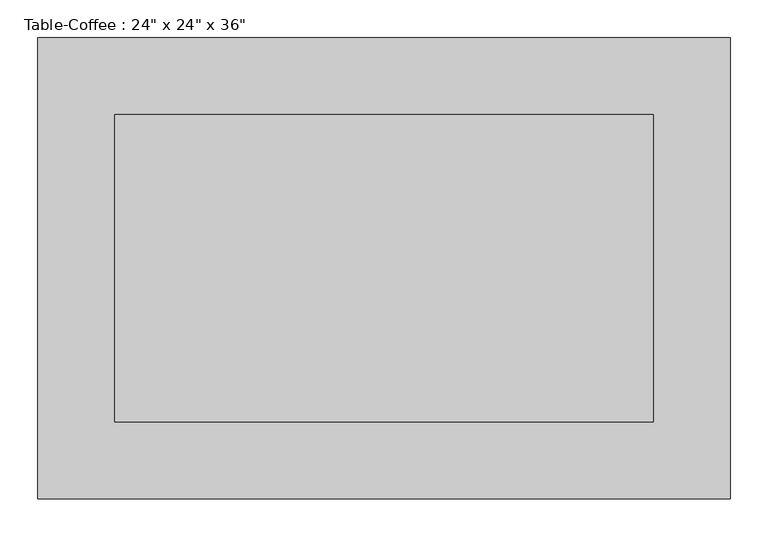
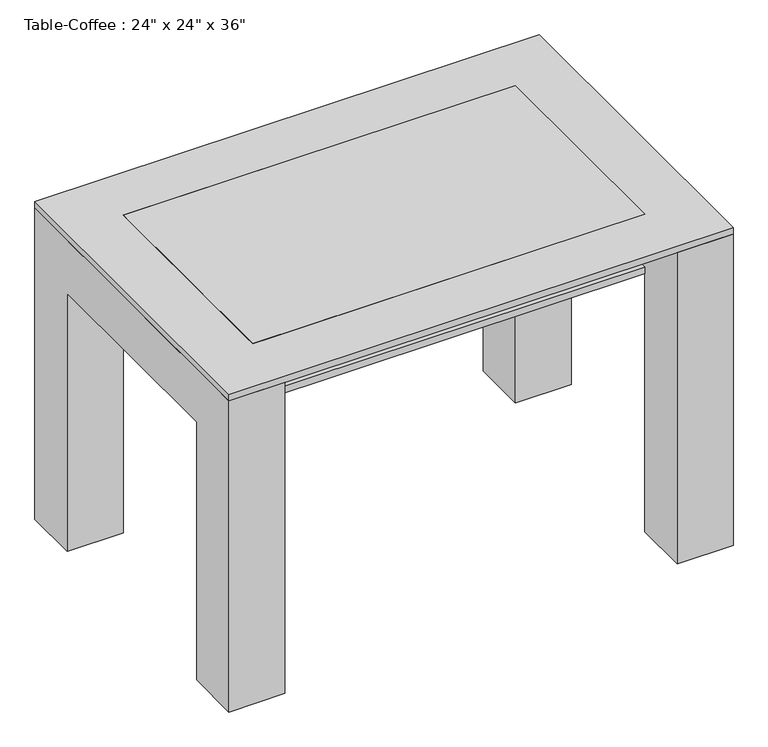
"""IFC4 building model written with IfcOpenShell, lengths in millimetres: furniture geometry."""

from ifc_helpers import new_model, si_unit, frame, origin, place, context, project, spatial, polyline, outline, extrude, source, transform, mapped, element, save


def furniture_f029d3a2(model_context):
    return source(origin(), model_context, "Body", "SweptSolid", [
        extrude(outline(polyline([(373.8657667, -298.4110778), (-337.3342333, -298.4110778), (-337.3342333, 107.9889222), (373.8657667, 107.9889222), (373.8657667, -298.4110778)])), frame((0.0, 0.0, 495.3), z_axis=(0.0, 0.0, 1.0), x_axis=(1.0, 0.0, 0.0)), (0.0, 0.0, 1.0), 12.7),
        extrude(outline(polyline([(-400.0110778, 0.0), (-400.0110778, 596.9), (209.5889222, 596.9), (209.5889222, 0.0), (107.9889222, 0.0), (107.9889222, 495.3), (-298.4110778, 495.3), (-298.4110778, 0.0), (-400.0110778, 0.0)])), frame((373.8657667, 0.0, 0.0), z_axis=(1.0, 0.0, 0.0), x_axis=(0.0, 1.0, 0.0)), (0.0, 0.0, 1.0), 101.6),
        extrude(outline(polyline([(-400.0110778, 596.9), (209.5889222, 596.9), (209.5889222, 0.0), (107.9889222, 0.0), (107.9889222, 495.3), (-298.4110778, 495.3), (-298.4110778, 0.0), (-400.0110778, 0.0), (-400.0110778, 596.9)])), frame((-438.9342333, 0.0, 0.0), z_axis=(1.0, 0.0, 0.0), x_axis=(0.0, 1.0, 0.0)), (0.0, 0.0, 1.0), 101.6),
        extrude(outline(polyline([(373.8657667, -298.4110778), (-337.3342333, -298.4110778), (-337.3342333, 107.9889222), (373.8657667, 107.9889222), (373.8657667, -298.4110778)])), frame((0.0, 0.0, 596.9), z_axis=(0.0, 0.0, 1.0), x_axis=(1.0, 0.0, 0.0)), (0.0, 0.0, 1.0), 12.7),
        extrude(outline(polyline([(475.4657667, -400.0110778), (-438.9342333, -400.0110778), (-438.9342333, 209.5889222), (475.4657667, 209.5889222), (475.4657667, -400.0110778)]), holes=[polyline([(373.8657667, -298.4110778), (373.8657667, 107.9889222), (-337.3342333, 107.9889222), (-337.3342333, -298.4110778), (373.8657667, -298.4110778)])]), frame((0.0, 0.0, 596.9), z_axis=(0.0, 0.0, 1.0), x_axis=(1.0, 0.0, 0.0)), (0.0, 0.0, 1.0), 12.7),
    ])


if __name__ == "__main__":
    model = new_model("IFC4")
    model_context = context("Model", 3, world=origin())
    ifc_project = project(units=[si_unit("LENGTHUNIT", "METRE", prefix="MILLI")], contexts=[model_context])
    site = spatial("IfcSite", under=ifc_project)
    building = spatial("IfcBuilding", under=site)
    placement = place(None, origin())
    furniture_shape = furniture_f029d3a2(model_context)
    element("IfcFurniture", 1, ObjectType="Table-Coffee : 24\" x 24\" x 36\"", at=placement, inside=building, context=model_context, shape_type="MappedRepresentation", body=[
        mapped(furniture_shape, transform((0.0, 0.0, 0.0), x_axis=(1.0, 0.0, 0.0), y_axis=(0.0, 1.0, 0.0), z_axis=(0.0, 0.0, 1.0))),
    ])
    save(model, "model.ifc")
